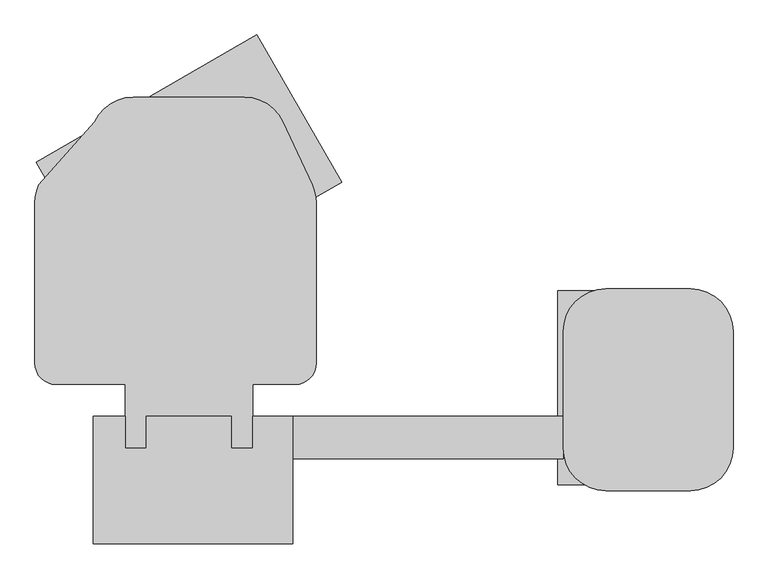
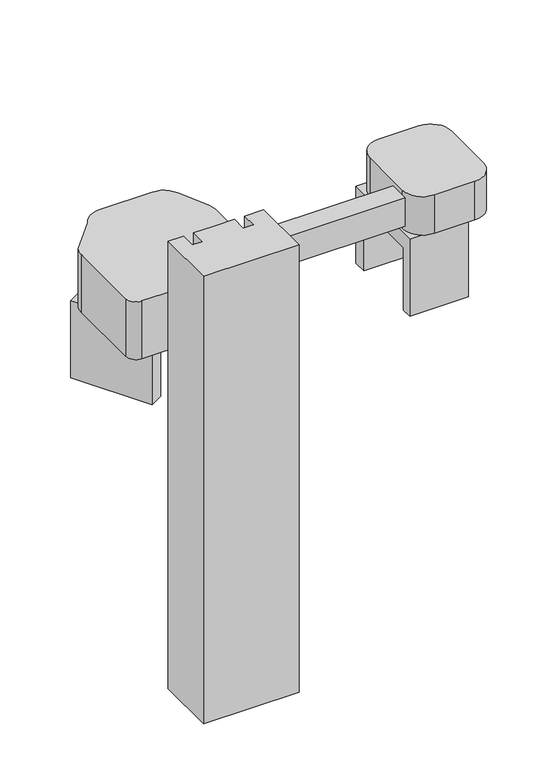
"""IFC4 building model written with IfcOpenShell, lengths in millimetres: proxy geometry."""

from ifc_helpers import new_model, si_unit, point, frame, frame_2d, origin, origin_with_axes, place, context, project, spatial, polyline, circle_curve, trimmed, segment, composite_curve, outline, extrude, source, transform, mapped, element, save


def specialty_equipment_c5d1595f(model_context):
    return source(origin(), model_context, "Body", "SweptSolid", [
        extrude(outline(polyline([(-406.4, 0.0), (0.0, 0.0), (0.0, -609.6), (-406.4, -609.6), (-406.4, -533.3999999), (-76.2, -533.3999999), (-76.2, -76.1999999), (-406.4, -76.1999999), (-406.4, 0.0)])), frame((731.1290861, 865.423638, 1727.2), z_axis=(-0.4999999999999939, 0.8660254037844421, 0.0), x_axis=(0.0, 0.0, 1.0)), (0.0, 0.0, 1.0), 406.4),
        extrude(outline(polyline([(140.5381181, 1676.4), (140.5381181, 2082.8), (604.6904855, 2082.8), (604.6904855, 1676.4), (536.1244671, 1676.4), (536.1244671, 2006.6), (193.6296767, 2006.6), (193.6296767, 1676.4), (140.5381181, 1676.4)])), frame((1248.8960282, 0.0, 0.0), z_axis=(1.0, 0.0, 0.0), x_axis=(0.0, 1.0, 0.0)), (0.0, 0.0, 1.0), 293.5452305),
        extrude(outline(composite_curve([segment(polyline([(1566.3960282, 127.0), (1363.1960282, 127.0)]), True, "CONTINUOUS"), segment(trimmed(circle_curve(frame_2d((1363.1960282, 228.6)), 101.6), [point((1363.1960282, 127.0))], [point((1261.5960282, 228.6))], False, "CARTESIAN"), True, "CONTINUOUS"), segment(polyline([(1261.5960282, 228.6), (1261.5960282, 508.0)]), True, "CONTINUOUS"), segment(trimmed(circle_curve(frame_2d((1363.1960282, 508.0)), 101.6), [point((1261.5960282, 508.0))], [point((1363.1960282, 609.6))], False, "CARTESIAN"), True, "CONTINUOUS"), segment(polyline([(1363.1960282, 609.6), (1566.3960282, 609.6)]), True, "CONTINUOUS"), segment(trimmed(circle_curve(frame_2d((1566.3960282, 508.0)), 101.6), [point((1566.3960282, 609.6))], [point((1667.9960282, 508.0))], False, "CARTESIAN"), True, "CONTINUOUS"), segment(polyline([(1667.9960282, 508.0), (1667.9960282, 228.6)]), True, "CONTINUOUS"), segment(trimmed(circle_curve(frame_2d((1566.3960282, 228.6)), 101.6), [point((1667.9960282, 228.6))], [point((1566.3960282, 127.0))], False, "CARTESIAN"), True, "CONTINUOUS")], self_intersect=False)), frame((0.0, 0.0, 2082.8), z_axis=(0.0, 0.0, 1.0), x_axis=(1.0, 0.0, 0.0)), (0.0, 0.0, 1.0), 203.2),
        extrude(outline(polyline([(1261.5960282, 304.8), (1261.5960282, 203.2), (613.8960282, 203.2), (613.8960282, 304.8), (1261.5960282, 304.8)])), frame((0.0, 0.0, 2108.2), z_axis=(0.0, 0.0, 1.0), x_axis=(1.0, 0.0, 0.0)), (0.0, 0.0, 1.0), 152.4),
        extrude(outline(polyline([(438.15, 1117.6), (487.219032, 1104.4519925), (554.8400332, 1151.8007273), (563.9588243, 1142.6819363), (489.6523464, 1090.6519804), (436.4780133, 1104.9), (355.6, 1104.9), (355.6, 1117.6), (438.15, 1117.6)])), frame((289.3645431, 0.0, 0.0), z_axis=(1.0, 0.0, 0.0), x_axis=(0.0, 1.0, 0.0)), (0.0, 0.0, 1.0), 152.4),
        extrude(outline(composite_curve([segment(polyline([(263.9645431, 228.6), (213.1645431, 228.6), (213.1645431, 304.8), (213.1645431, 381.0), (48.0645431, 381.0)]), True, "CONTINUOUS"), segment(trimmed(circle_curve(frame_2d((48.0645431, 431.8)), 50.8), [point((48.0645431, 381.0))], [point((-2.7354569, 431.8))], False, "CARTESIAN"), True, "CONTINUOUS"), segment(polyline([(-2.7354569, 431.8), (-2.7354569, 815.6758223)]), True, "CONTINUOUS"), segment(trimmed(circle_curve(frame_2d((98.8645431, 815.6758223)), 101.6), [point((-2.7354569, 815.6758223))], [point((6.7836719, 858.6138377))], False, "CARTESIAN"), True, "CONTINUOUS"), segment(polyline([(6.7836719, 858.6138377), (140.7550489, 1009.7401933)]), True, "CONTINUOUS"), segment(trimmed(circle_curve(frame_2d((232.8359201, 966.8021779)), 101.6), [point((140.7550489, 1009.7401933))], [point((232.8359201, 1068.4021779))], False, "CARTESIAN"), True, "CONTINUOUS"), segment(polyline([(232.8359201, 1068.4021779), (498.2931661, 1068.4021779)]), True, "CONTINUOUS"), segment(trimmed(circle_curve(frame_2d((498.2931661, 966.8021779)), 101.6), [point((498.2931661, 1068.4021779))], [point((590.3740373, 1009.7401933))], False, "CARTESIAN"), True, "CONTINUOUS"), segment(polyline([(590.3740373, 1009.7401933), (660.8454142, 858.6138377)]), True, "CONTINUOUS"), segment(trimmed(circle_curve(frame_2d((568.7645431, 815.6758223)), 101.6), [point((660.8454142, 858.6138377))], [point((670.3645431, 815.6758223))], False, "CARTESIAN"), True, "CONTINUOUS"), segment(polyline([(670.3645431, 815.6758223), (670.3645431, 431.8)]), True, "CONTINUOUS"), segment(trimmed(circle_curve(frame_2d((619.5645431, 431.8)), 50.8), [point((670.3645431, 431.8))], [point((619.5645431, 381.0))], False, "CARTESIAN"), True, "CONTINUOUS"), segment(polyline([(619.5645431, 381.0), (517.9645431, 381.0), (517.9645431, 228.6), (467.1645431, 228.6), (467.1645431, 304.8), (263.9645431, 304.8), (263.9645431, 228.6)]), True, "CONTINUOUS")], self_intersect=False)), frame((0.0, 0.0, 1727.2), z_axis=(0.0, 0.0, 1.0), x_axis=(1.0, 0.0, 0.0)), (0.0, 0.0, 1.0), 304.8),
        extrude(outline(polyline([(263.9645431, 304.8), (263.9645431, 406.4), (467.1645431, 406.4), (467.1645431, 304.8), (263.9645431, 304.8)])), frame((0.0, 0.0, 1117.6), z_axis=(0.0, 0.0, 1.0), x_axis=(1.0, 0.0, 0.0)), (0.0, 0.0, 1.0), 609.6),
        extrude(outline(polyline([(613.8960282, 304.8), (613.8960282, 0.0), (136.9645431, 0.0), (136.9645431, 304.8), (213.1645431, 304.8), (213.1645431, 228.6), (263.9645431, 228.6), (263.9645431, 304.8), (365.5645431, 304.8), (467.1645431, 304.8), (467.1645431, 228.6), (517.9645431, 228.6), (517.9645431, 304.8), (613.8960282, 304.8)])), origin_with_axes(), (0.0, 0.0, 1.0), 2362.2),
    ])


if __name__ == "__main__":
    model = new_model("IFC4")
    model_context = context("Model", 3, world=origin())
    ifc_project = project(units=[si_unit("LENGTHUNIT", "METRE", prefix="MILLI")], contexts=[model_context])
    site = spatial("IfcSite", under=ifc_project)
    building = spatial("IfcBuilding", under=site)
    placement = place(None, origin())
    specialty_equipment_shape = specialty_equipment_c5d1595f(model_context)
    element("IfcBuildingElementProxy", 1, Name="Specialty Equipment", at=placement, inside=building, context=model_context, shape_type="MappedRepresentation", body=[
        mapped(specialty_equipment_shape, transform((0.0, 0.0, 0.0), x_axis=(1.0, 0.0, 0.0), y_axis=(0.0, 1.0, 0.0), z_axis=(0.0, 0.0, 1.0))),
    ])
    save(model, "model.ifc")
